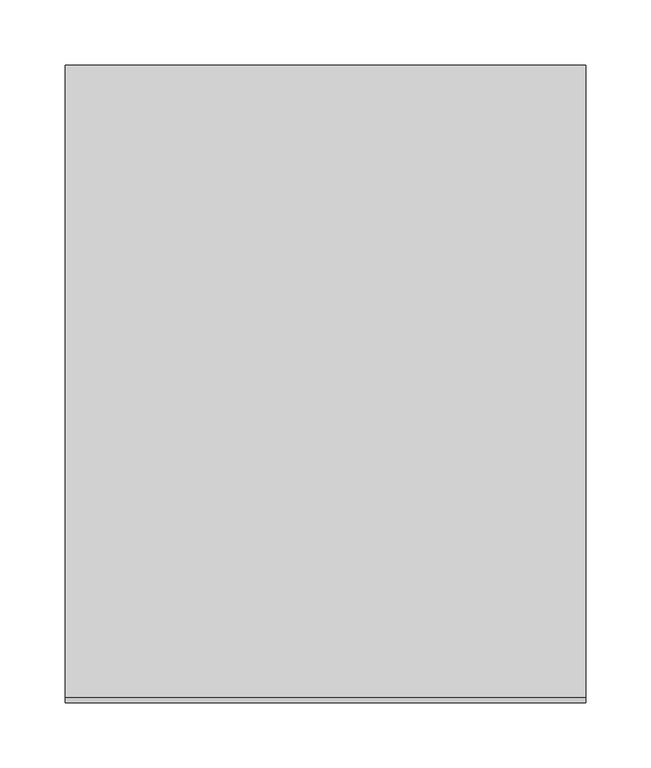
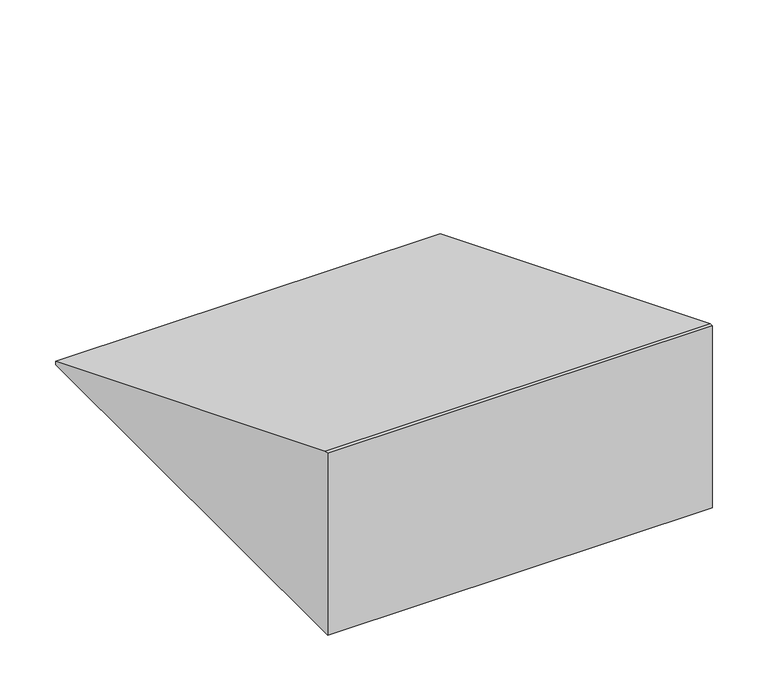
"""IFC4 building model written with IfcOpenShell, lengths in millimetres: furniture geometry."""

from ifc_helpers import new_model, si_unit, frame, origin, place, context, project, spatial, polyline, outline, extrude, source, transform, mapped, element, save


def furniture_15da7b1b(model_context):
    return source(origin(), model_context, "Body", "SweptSolid", [
        extrude(outline(polyline([(245.0, 4.0), (245.0, 0.0), (-245.0, 0.0), (-245.0, 200.0), (-241.0, 200.0), (245.0, 4.0)])), frame((-200.0, 0.0, 0.0), z_axis=(1.0, 0.0, 0.0), x_axis=(0.0, 1.0, 0.0)), (0.0, 0.0, 1.0), 400.0),
    ])


if __name__ == "__main__":
    model = new_model("IFC4")
    model_context = context("Model", 3, world=origin())
    ifc_project = project(units=[si_unit("LENGTHUNIT", "METRE", prefix="MILLI")], contexts=[model_context])
    site = spatial("IfcSite", under=ifc_project)
    building = spatial("IfcBuilding", under=site)
    placement = place(None, origin())
    furniture_shape = furniture_15da7b1b(model_context)
    element("IfcFurniture", 1, at=placement, inside=building, context=model_context, shape_type="MappedRepresentation", body=[
        mapped(furniture_shape, transform((0.0, 0.0, 0.0), x_axis=(1.0, 0.0, 0.0), y_axis=(0.0, 1.0, 0.0), z_axis=(0.0, 0.0, 1.0))),
    ])
    save(model, "model.ifc")
